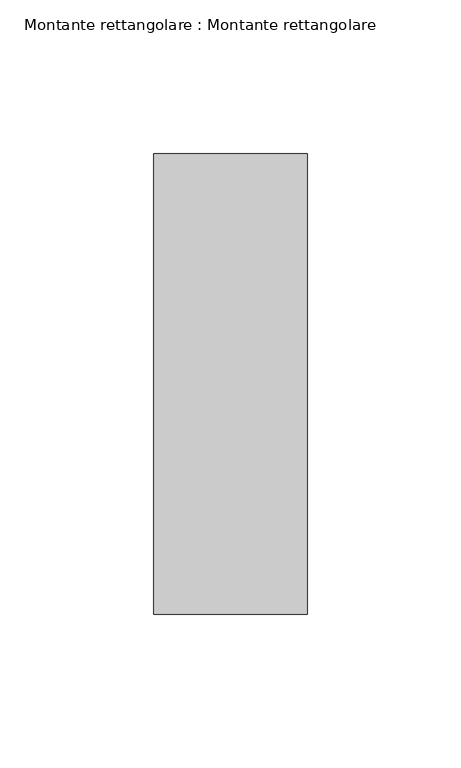
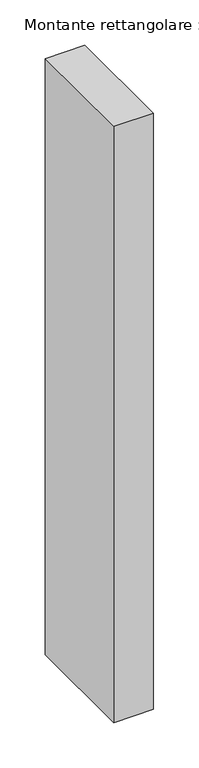
"""IFC4 building model written with IfcOpenShell, lengths in millimetres: member geometry, Montante rettangolare : Montante rettangolare."""

from ifc_helpers import new_model, si_unit, frame, origin, place, context, project, spatial, polyline, outline, extrude, source, transform, mapped, element, save


def montante_rettangolare_montante_rettangolare_6ffebc0f(model_context):
    return source(origin(), model_context, "Body", "SweptSolid", [
        extrude(outline(polyline([(0.0, 75.0), (0.0, -75.0), (-50.0, -75.0), (-50.0, 75.0), (0.0, 75.0)])), frame((0.0, 0.0, -800.0), z_axis=(0.0, 0.0, 1.0), x_axis=(1.0, 0.0, 0.0)), (0.0, 0.0, 1.0), 800.0),
    ])


if __name__ == "__main__":
    model = new_model("IFC4")
    model_context = context("Model", 3, world=origin())
    ifc_project = project(units=[si_unit("LENGTHUNIT", "METRE", prefix="MILLI")], contexts=[model_context])
    site = spatial("IfcSite", under=ifc_project)
    building = spatial("IfcBuilding", under=site)
    placement = place(None, origin())
    montante_rettangolare_montante_rettangolare_shape = montante_rettangolare_montante_rettangolare_6ffebc0f(model_context)
    element("IfcMember", 1, ObjectType="Montante rettangolare : Montante rettangolare", at=placement, inside=building, context=model_context, shape_type="MappedRepresentation", body=[
        mapped(montante_rettangolare_montante_rettangolare_shape, transform((0.0, 0.0, 0.0), x_axis=(1.0, 0.0, 0.0), y_axis=(0.0, 1.0, 0.0), z_axis=(0.0, 0.0, 1.0))),
    ])
    save(model, "model.ifc")
